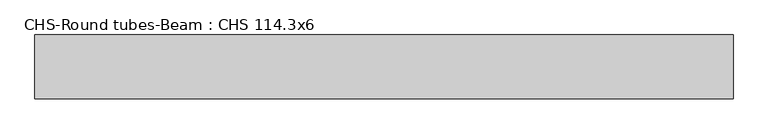
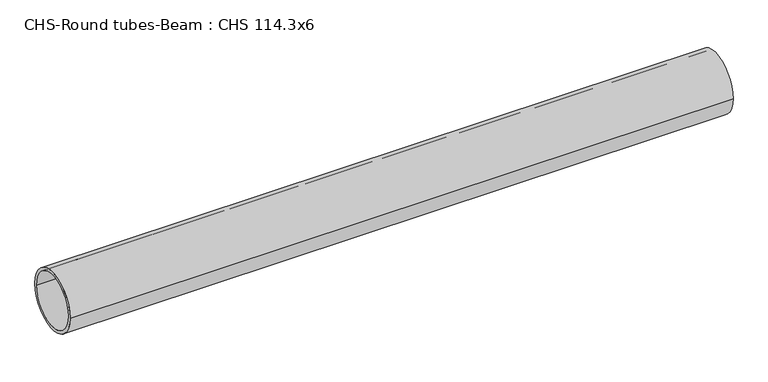
"""IFC4 building model written with IfcOpenShell, lengths in millimetres: beam geometry, CHS-Round tubes-Beam : CHS 114.3x6."""

from ifc_helpers import new_model, si_unit, point, frame, origin, origin_2d, place, context, project, spatial, circle_curve, trimmed, segment, composite_curve, outline, extrude, source, transform, mapped, element, save


def chs_round_tubes_beam_chs_114_3x6_5413cd8e(model_context):
    return source(origin(), model_context, "Body", "SweptSolid", [
        extrude(outline(composite_curve([segment(trimmed(circle_curve(origin_2d(), 57.15), [point((57.15, 0.0))], [point((-57.15, 0.0))], False, "CARTESIAN"), True, "CONTINUOUS"), segment(trimmed(circle_curve(origin_2d(), 57.15), [point((-57.15, 0.0))], [point((57.15, 0.0))], False, "CARTESIAN"), True, "CONTINUOUS")], self_intersect=False), holes=[composite_curve([segment(trimmed(circle_curve(origin_2d(), 51.15), [point((51.15, 0.0))], [point((-51.15, 0.0))], True, "CARTESIAN"), True, "CONTINUOUS"), segment(trimmed(circle_curve(origin_2d(), 51.15), [point((-51.15, 0.0))], [point((51.15, 0.0))], True, "CARTESIAN"), True, "CONTINUOUS")], self_intersect=False)]), frame((-625.514502, 0.0, 0.0), z_axis=(1.0, 0.0, 0.0), x_axis=(0.0, 1.0, 0.0)), (0.0, 0.0, 1.0), 1245.5584064),
    ])


if __name__ == "__main__":
    model = new_model("IFC4")
    model_context = context("Model", 3, world=origin())
    ifc_project = project(units=[si_unit("LENGTHUNIT", "METRE", prefix="MILLI")], contexts=[model_context])
    site = spatial("IfcSite", under=ifc_project)
    building = spatial("IfcBuilding", under=site)
    placement = place(None, origin())
    chs_round_tubes_beam_chs_114_3x6_shape = chs_round_tubes_beam_chs_114_3x6_5413cd8e(model_context)
    element("IfcBeam", 1, ObjectType="CHS-Round tubes-Beam : CHS 114.3x6", at=placement, inside=building, context=model_context, shape_type="MappedRepresentation", body=[
        mapped(chs_round_tubes_beam_chs_114_3x6_shape, transform((0.0, 0.0, 0.0), x_axis=(1.0, 0.0, 0.0), y_axis=(0.0, 1.0, 0.0), z_axis=(0.0, 0.0, 1.0))),
    ])
    save(model, "model.ifc")
